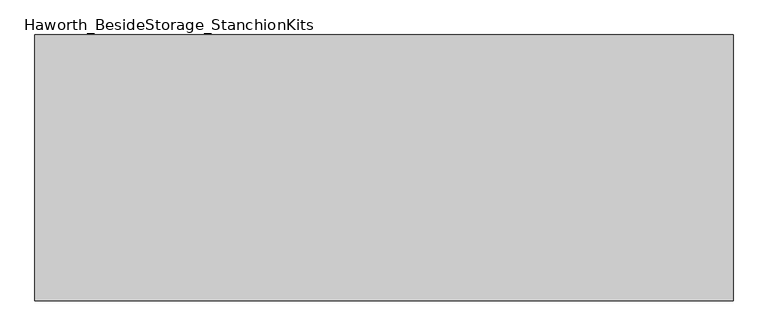
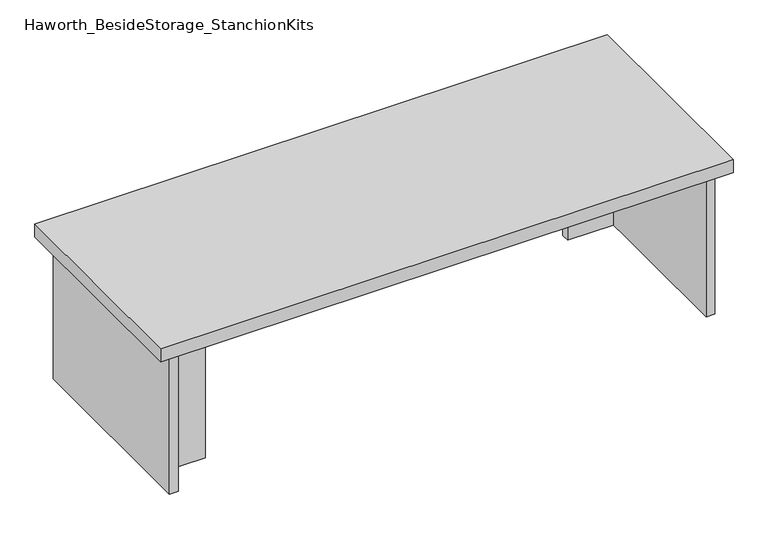
"""IFC4 building model written with IfcOpenShell, lengths in millimetres: furniture geometry, Haworth_BesideStorage_StanchionKits."""

from ifc_helpers import new_model, si_unit, frame, origin, place, context, project, spatial, polyline, outline, extrude, source, transform, mapped, element, save


def haworth_besidestorage_stanchionkits_f7541b9f(model_context):
    return source(origin(), model_context, "Body", "SweptSolid", [
        extrude(outline(polyline([(695.325, 0.0), (695.325, -406.4), (-371.475, -406.4), (-371.475, 0.0), (695.325, 0.0)])), frame((0.0, 0.0, 711.2), z_axis=(0.0, 0.0, 1.0), x_axis=(1.0, 0.0, 0.0)), (0.0, 0.0, 1.0), 25.4),
        extrude(outline(polyline([(568.325, -76.2), (654.05, -76.2), (654.05, -92.075), (568.325, -92.075), (568.325, -76.2)])), frame((0.0, 0.0, 431.8), z_axis=(0.0, 0.0, 1.0), x_axis=(1.0, 0.0, 0.0)), (0.0, 0.0, 1.0), 279.4),
        extrude(outline(polyline([(-244.475, -314.325), (-244.475, -330.2), (-330.2, -330.2), (-330.2, -314.325), (-244.475, -314.325)])), frame((0.0, 0.0, 431.8), z_axis=(0.0, 0.0, 1.0), x_axis=(1.0, 0.0, 0.0)), (0.0, 0.0, 1.0), 279.4),
        extrude(outline(polyline([(669.925, -390.525), (654.05, -390.525), (654.05, -15.875), (669.925, -15.875), (669.925, -390.525)])), frame((0.0, 0.0, 431.8), z_axis=(0.0, 0.0, 1.0), x_axis=(1.0, 0.0, 0.0)), (0.0, 0.0, 1.0), 279.4),
        extrude(outline(polyline([(-330.2, -390.525), (-346.075, -390.525), (-346.075, -15.875), (-330.2, -15.875), (-330.2, -390.525)])), frame((0.0, 0.0, 431.8), z_axis=(0.0, 0.0, 1.0), x_axis=(1.0, 0.0, 0.0)), (0.0, 0.0, 1.0), 279.4),
    ])


if __name__ == "__main__":
    model = new_model("IFC4")
    model_context = context("Model", 3, world=origin())
    ifc_project = project(units=[si_unit("LENGTHUNIT", "METRE", prefix="MILLI")], contexts=[model_context])
    site = spatial("IfcSite", under=ifc_project)
    building = spatial("IfcBuilding", under=site)
    placement = place(None, origin())
    haworth_besidestorage_stanchionkits_shape = haworth_besidestorage_stanchionkits_f7541b9f(model_context)
    element("IfcFurniture", 1, ObjectType="Haworth_BesideStorage_StanchionKits", at=placement, inside=building, context=model_context, shape_type="MappedRepresentation", body=[
        mapped(haworth_besidestorage_stanchionkits_shape, transform((0.0, 0.0, 0.0), x_axis=(1.0, 0.0, 0.0), y_axis=(0.0, 1.0, 0.0), z_axis=(0.0, 0.0, 1.0))),
    ])
    save(model, "model.ifc")
